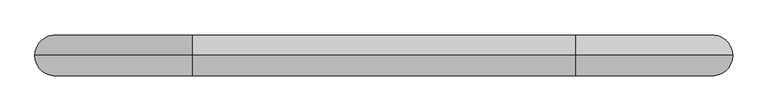
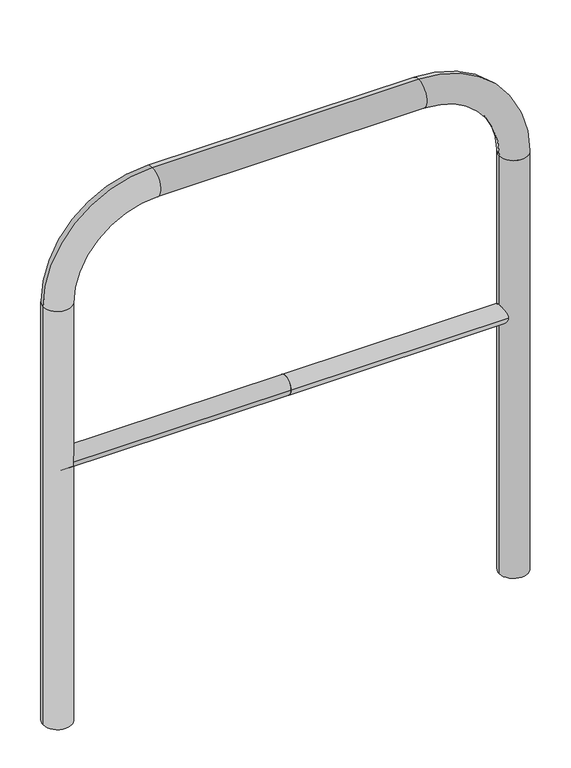
"""IFC4 building model written with IfcOpenShell, lengths in millimetres: proxy geometry."""

from ifc_helpers import new_model, si_unit, point, frame, frame_2d, origin, place, context, project, spatial, circle_curve, ellipse_curve, trimmed, segment, composite_curve, outline, extrude, source, transform, mapped, element, save
from ifc_brep_helpers import plane_surface, cylinder_surface, revolved_surface, advanced_brep


def generic_models_b863551e(model_context):
    return source(origin(), model_context, "Body", "SolidModel", [
        extrude(outline(composite_curve([segment(trimmed(circle_curve(frame_2d((0.0, 498.4778375)), 20.0), [point((-20.0, 498.4778375))], [point((20.0, 498.4778375))], False, "CARTESIAN"), True, "CONTINUOUS"), segment(trimmed(circle_curve(frame_2d((0.0, 498.4778375)), 20.0), [point((20.0, 498.4778375))], [point((-20.0, 498.4778375))], False, "CARTESIAN"), True, "CONTINUOUS")], self_intersect=False)), frame((-480.4854773, 0.0, 0.0), z_axis=(1.0, 0.0, 0.0), x_axis=(0.0, 1.0, 0.0)), (0.0, 0.0, 1.0), 480.4854773),
        extrude(outline(composite_curve([segment(trimmed(circle_curve(frame_2d((0.0, 498.4778375)), 20.0), [point((-20.0, 498.4778375))], [point((20.0, 498.4778375))], False, "CARTESIAN"), True, "CONTINUOUS"), segment(trimmed(circle_curve(frame_2d((0.0, 498.4778375)), 20.0), [point((20.0, 498.4778375))], [point((-20.0, 498.4778375))], False, "CARTESIAN"), True, "CONTINUOUS")], self_intersect=False)), frame((0.0, 0.0, 0.0), z_axis=(1.0, 0.0, 0.0), x_axis=(0.0, 1.0, 0.0)), (0.0, 0.0, 1.0), 480.4854773),
        advanced_brep(
        [(-450.4854773, 0.0, -80.0), (-510.4854773, 0.0, -80.0), (-450.4854773, 0.0, 850.0), (-510.4854773, 0.0, 850.0), (-280.4854773, 0.0, 1080.0), (-280.4854773, 0.0, 1020.0), (280.4854773, 0.0, 1020.0), (280.4854773, 0.0, 1080.0), (510.4854773, 0.0, 850.0), (450.4854773, 0.0, 850.0), (450.4854773, 0.0, -80.0), (510.4854773, 0.0, -80.0)],
        [
            (0, 1, circle_curve(frame((-480.4854773, 0.0, -80.0), z_axis=(0.0, 0.0, -1.0), x_axis=(-1.0, 0.0, 0.0)), 30.0)),
            (1, 0, circle_curve(frame((-480.4854773, 0.0, -80.0), z_axis=(0.0, 0.0, -1.0), x_axis=(-1.0, 0.0, 0.0)), 30.0)),
            (0, 2),
            (2, 3, circle_curve(frame((-480.4854773, 0.0, 850.0), z_axis=(0.0, 0.0, -1.0), x_axis=(-1.0, 0.0, 0.0)), 30.0)),
            (3, 1),
            (3, 2, circle_curve(frame((-480.4854773, 0.0, 850.0), z_axis=(0.0, 0.0, -1.0), x_axis=(-1.0, 0.0, 0.0)), 30.0)),
            (4, 3, circle_curve(frame((-280.4854773, 0.0, 850.0), z_axis=(0.0, -1.0, 0.0), x_axis=(-1.0, 0.0, 0.0)), 230.0)),
            (2, 5, circle_curve(frame((-280.4854773, 0.0, 850.0), z_axis=(0.0, 1.0, 0.0), x_axis=(-1.0, 0.0, 0.0)), 170.0)),
            (5, 4, circle_curve(frame((-280.4854773, 0.0, 1050.0), z_axis=(-1.0, 0.0, 0.0), x_axis=(0.0, 0.0, 1.0)), 30.0)),
            (4, 5, circle_curve(frame((-280.4854773, 0.0, 1050.0), z_axis=(-1.0, 0.0, 0.0), x_axis=(0.0, 0.0, 1.0)), 30.0)),
            (5, 6),
            (6, 7, circle_curve(frame((280.4854773, 0.0, 1050.0), z_axis=(-1.0, 0.0, 0.0), x_axis=(0.0, 0.0, 1.0)), 30.0)),
            (7, 4),
            (7, 6, circle_curve(frame((280.4854773, 0.0, 1050.0), z_axis=(-1.0, 0.0, 0.0), x_axis=(0.0, 0.0, 1.0)), 30.0)),
            (8, 7, circle_curve(frame((280.4854773, 0.0, 850.0), z_axis=(0.0, -1.0, 0.0), x_axis=(0.0, 0.0, 1.0)), 230.0)),
            (6, 9, circle_curve(frame((280.4854773, 0.0, 850.0), z_axis=(0.0, 1.0, 0.0), x_axis=(0.0, 0.0, 1.0)), 170.0)),
            (9, 8, circle_curve(frame((480.4854773, 0.0, 850.0), z_axis=(0.0, 0.0, 1.0), x_axis=(1.0, 0.0, 0.0)), 30.0)),
            (8, 9, circle_curve(frame((480.4854773, 0.0, 850.0), z_axis=(0.0, 0.0, 1.0), x_axis=(1.0, 0.0, 0.0)), 30.0)),
            (10, 11, circle_curve(frame((480.4854773, 0.0, -80.0), z_axis=(0.0, 0.0, -1.0), x_axis=(1.0, 0.0, 0.0)), 30.0)),
            (11, 10, circle_curve(frame((480.4854773, 0.0, -80.0), z_axis=(0.0, 0.0, -1.0), x_axis=(1.0, 0.0, 0.0)), 30.0)),
            (9, 10),
            (11, 8),
        ],
        [
            plane_surface(frame((-480.4854773, 0.0, -80.0), z_axis=(0.0, 0.0, -1.0), x_axis=(0.0, -1.0, 0.0))),
            cylinder_surface(frame((-480.4854773, 0.0, -80.0), z_axis=(0.0, 0.0, -1.0), x_axis=(-1.0, 0.0, 0.0)), 30.0),
            revolved_surface(trimmed(ellipse_curve(frame((-480.4854773, 0.0, 850.0), z_axis=(0.0, 0.0, -1.0), x_axis=(-1.0, 0.0, 0.0)), 30.0, 30.0), [point((-450.4854773, 0.0, 850.0))], [point((-510.4854773, 0.0, 850.0))], True, "CARTESIAN"), (-280.4854773, 0.0, 850.0), (0.0, 1.0, 0.0)),
            revolved_surface(trimmed(ellipse_curve(frame((-480.4854773, 0.0, 850.0), z_axis=(0.0, 0.0, -1.0), x_axis=(-1.0, 0.0, 0.0)), 30.0, 30.0), [point((-510.4854773, 0.0, 850.0))], [point((-450.4854773, 0.0, 850.0))], True, "CARTESIAN"), (-280.4854773, 0.0, 850.0), (0.0, 1.0, 0.0)),
            cylinder_surface(frame((-280.4854773, 0.0, 1050.0), z_axis=(-1.0, 0.0, 0.0), x_axis=(0.0, 0.0, 1.0)), 30.0),
            revolved_surface(trimmed(ellipse_curve(frame((280.4854773, 0.0, 1050.0), z_axis=(-1.0, 0.0, 0.0), x_axis=(0.0, 0.0, 1.0)), 30.0, 30.0), [point((280.4854773, 0.0, 1020.0))], [point((280.4854773, 0.0, 1080.0))], True, "CARTESIAN"), (280.4854773, 0.0, 850.0), (0.0, 1.0, 0.0)),
            revolved_surface(trimmed(ellipse_curve(frame((280.4854773, 0.0, 1050.0), z_axis=(-1.0, 0.0, 0.0), x_axis=(0.0, 0.0, 1.0)), 30.0, 30.0), [point((280.4854773, 0.0, 1080.0))], [point((280.4854773, 0.0, 1020.0))], True, "CARTESIAN"), (280.4854773, 0.0, 850.0), (0.0, 1.0, 0.0)),
            plane_surface(frame((480.4854773, 0.0, -80.0), z_axis=(0.0, 0.0, -1.0), x_axis=(0.0, -1.0, 0.0))),
            cylinder_surface(frame((480.4854773, 0.0, 850.0), z_axis=(0.0, 0.0, 1.0), x_axis=(1.0, 0.0, 0.0)), 30.0),
        ],
        [
            (0, [[1, 2]]),
            (1, [[-1, 3, 4, 5]]),
            (1, [[-2, -5, 6, -3]]),
            (2, [[7, -4, 8, 9]]),
            (3, [[-8, -6, -7, 10]]),
            (4, [[-9, 11, 12, 13]]),
            (4, [[-10, -13, 14, -11]]),
            (5, [[15, -12, 16, 17]]),
            (6, [[-16, -14, -15, 18]]),
            (7, [[19, 20]]),
            (8, [[-17, 21, -20, 22]]),
            (8, [[-18, -22, -19, -21]]),
        ],
    ),
    ])


if __name__ == "__main__":
    model = new_model("IFC4")
    model_context = context("Model", 3, world=origin())
    ifc_project = project(units=[si_unit("LENGTHUNIT", "METRE", prefix="MILLI")], contexts=[model_context])
    site = spatial("IfcSite", under=ifc_project)
    building = spatial("IfcBuilding", under=site)
    placement = place(None, origin())
    generic_models_shape = generic_models_b863551e(model_context)
    element("IfcBuildingElementProxy", 1, Name="Generic Models", at=placement, inside=building, context=model_context, shape_type="MappedRepresentation", body=[
        mapped(generic_models_shape, transform((0.0, 0.0, 0.0), x_axis=(1.0, 0.0, 0.0), y_axis=(0.0, 1.0, 0.0), z_axis=(0.0, 0.0, 1.0))),
    ])
    save(model, "model.ifc")
